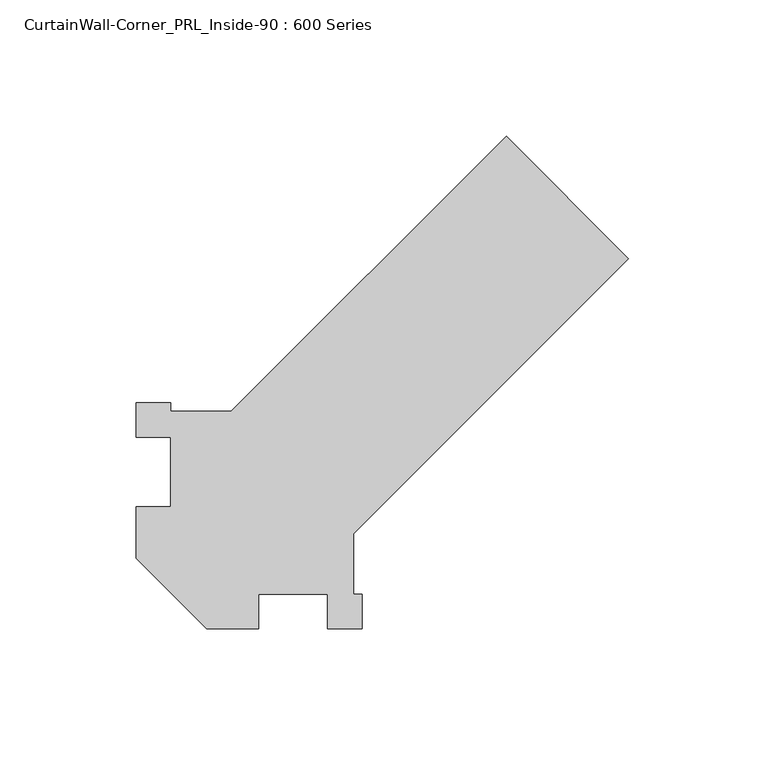
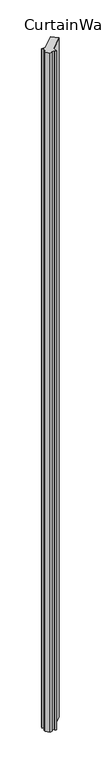
"""IFC4 building model written with IfcOpenShell, lengths in millimetres: proxy geometry, CurtainWall-Corner_PRL_Inside-90 : 600 Series."""

from ifc_helpers import new_model, si_unit, origin, origin_with_axes, place, context, project, spatial, polyline, outline, extrude, source, transform, mapped, element, save


def curtainwall_corner_prl_inside_90_600_series_a31bd196(model_context):
    return source(origin(), model_context, "Body", "SweptSolid", [
        extrude(outline(polyline([(-12.7, -57.6012806), (-31.75, -57.6012806), (-57.6012806, -31.75), (-57.6012806, -12.7), (-44.9012806, -12.7), (-44.9012806, 12.7), (-57.6012806, 12.7), (-57.6012806, 25.4), (-44.9012806, 25.4), (-44.9012806, 22.225), (-22.6762806, 22.225), (78.3516008, 123.2528814), (123.2528814, 78.3516008), (22.225, -22.6762806), (22.225, -44.9012806), (25.4, -44.9012806), (25.4, -57.6012806), (12.7, -57.6012806), (12.7, -44.9012806), (-12.7, -44.9012806), (-12.7, -57.6012806)])), origin_with_axes(), (0.0, 0.0, 1.0), 6096.0),
    ])


if __name__ == "__main__":
    model = new_model("IFC4")
    model_context = context("Model", 3, world=origin())
    ifc_project = project(units=[si_unit("LENGTHUNIT", "METRE", prefix="MILLI")], contexts=[model_context])
    site = spatial("IfcSite", under=ifc_project)
    building = spatial("IfcBuilding", under=site)
    placement = place(None, origin())
    curtainwall_corner_prl_inside_90_600_series_shape = curtainwall_corner_prl_inside_90_600_series_a31bd196(model_context)
    element("IfcBuildingElementProxy", 1, Name="CurtainWall-Corner_PRL_Inside-90 : 600 Series", ObjectType="CurtainWall-Corner_PRL_Inside-90 : 600 Series", at=placement, inside=building, context=model_context, shape_type="MappedRepresentation", body=[
        mapped(curtainwall_corner_prl_inside_90_600_series_shape, transform((0.0, 0.0, 0.0), x_axis=(1.0, 0.0, 0.0), y_axis=(0.0, 1.0, 0.0), z_axis=(0.0, 0.0, 1.0))),
    ])
    save(model, "model.ifc")
